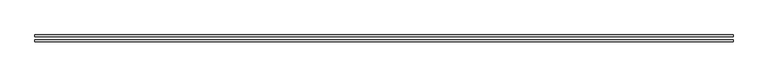
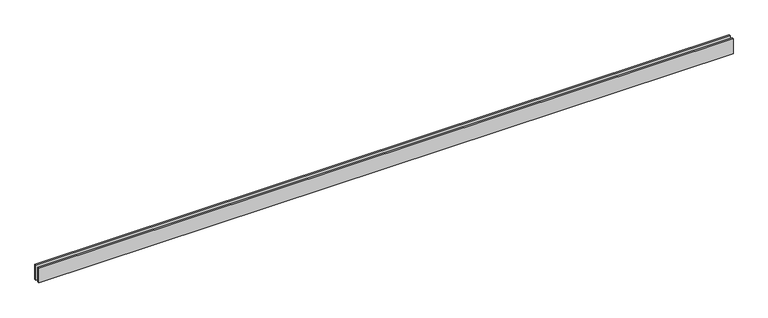
"""IFC4 building model written with IfcOpenShell, lengths in millimetres: proxy geometry."""

from ifc_helpers import new_model, si_unit, origin, origin_with_axes, place, context, project, spatial, polyline, outline, extrude, source, transform, mapped, element, save


def generic_models_bb4dfaa1(model_context):
    return source(origin(), model_context, "Body", "SweptSolid", [
        extrude(outline(polyline([(11135.0, -25.0), (11135.0, -55.0), (0.0, -55.0), (0.0, -25.0), (11135.0, -25.0)])), origin_with_axes(), (0.0, 0.0, 1.0), 250.0),
        extrude(outline(polyline([(11135.0, 55.0), (11135.0, 25.0), (0.0, 25.0), (0.0, 55.0), (11135.0, 55.0)])), origin_with_axes(), (0.0, 0.0, 1.0), 250.0),
    ])


if __name__ == "__main__":
    model = new_model("IFC4")
    model_context = context("Model", 3, world=origin())
    ifc_project = project(units=[si_unit("LENGTHUNIT", "METRE", prefix="MILLI")], contexts=[model_context])
    site = spatial("IfcSite", under=ifc_project)
    building = spatial("IfcBuilding", under=site)
    placement = place(None, origin())
    generic_models_shape = generic_models_bb4dfaa1(model_context)
    element("IfcBuildingElementProxy", 1, Name="Generic Models", at=placement, inside=building, context=model_context, shape_type="MappedRepresentation", body=[
        mapped(generic_models_shape, transform((0.0, 0.0, 0.0), x_axis=(1.0, 0.0, 0.0), y_axis=(0.0, 1.0, 0.0), z_axis=(0.0, 0.0, 1.0))),
    ])
    save(model, "model.ifc")
